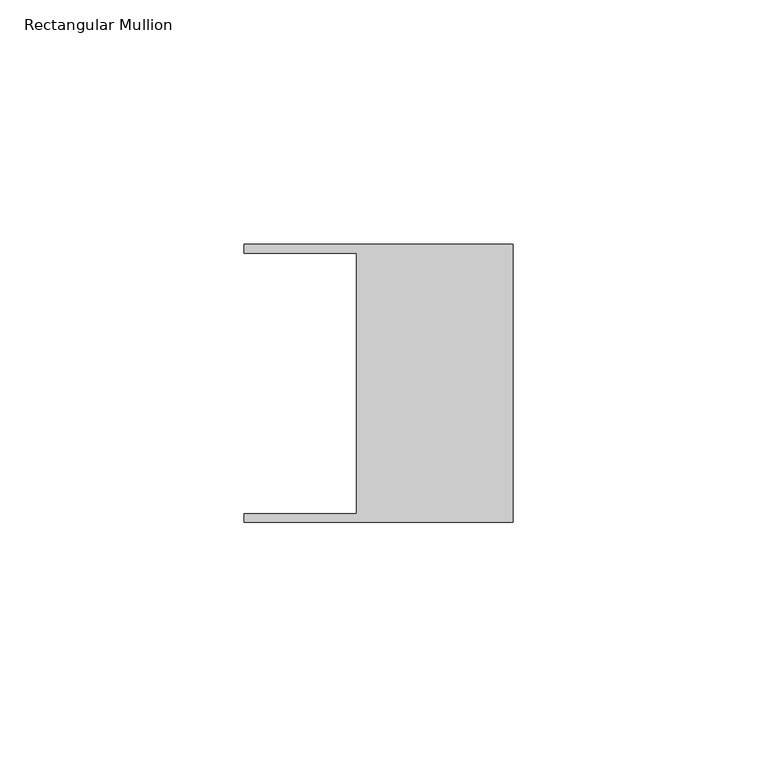
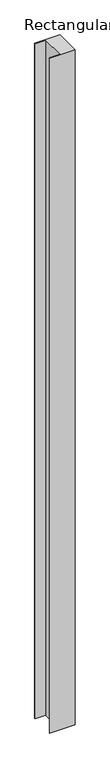
"""IFC4 building model written with IfcOpenShell, lengths in millimetres: member geometry, Rectangular Mullion."""

from ifc_helpers import new_model, si_unit, frame, origin, place, context, project, spatial, polyline, outline, extrude, source, transform, mapped, element, save


def rectangular_mullion_1f904164(model_context):
    return source(origin(), model_context, "Body", "SweptSolid", [
        extrude(outline(polyline([(-32.004, -26.67), (-32.004, 26.67), (-54.991, 26.67), (-54.991, 28.448), (0.0, 28.448), (0.0, -28.448), (-54.991, -28.448), (-54.991, -26.67), (-32.004, -26.67)])), frame((0.0, 0.0, -1555.4361718), z_axis=(0.0, 0.0, 1.0), x_axis=(1.0, 0.0, 0.0)), (0.0, 0.0, 1.0), 1555.4361718),
    ])


if __name__ == "__main__":
    model = new_model("IFC4")
    model_context = context("Model", 3, world=origin())
    ifc_project = project(units=[si_unit("LENGTHUNIT", "METRE", prefix="MILLI")], contexts=[model_context])
    site = spatial("IfcSite", under=ifc_project)
    building = spatial("IfcBuilding", under=site)
    placement = place(None, origin())
    rectangular_mullion_shape = rectangular_mullion_1f904164(model_context)
    element("IfcMember", 1, ObjectType="Rectangular Mullion", at=placement, inside=building, context=model_context, shape_type="MappedRepresentation", body=[
        mapped(rectangular_mullion_shape, transform((0.0, 0.0, 0.0), x_axis=(1.0, 0.0, 0.0), y_axis=(0.0, 1.0, 0.0), z_axis=(0.0, 0.0, 1.0))),
    ])
    save(model, "model.ifc")
